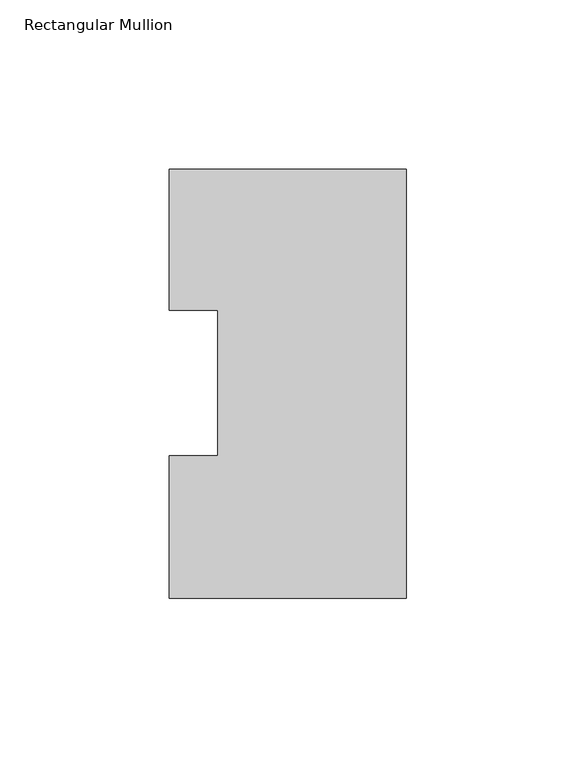
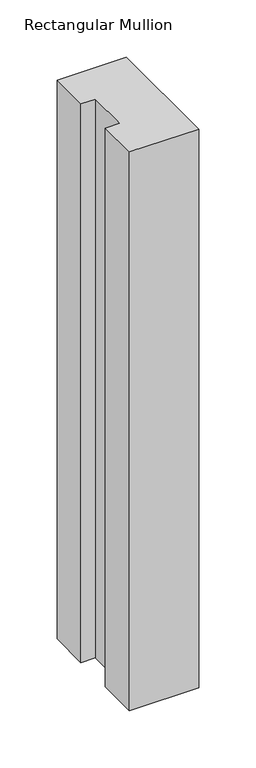
"""IFC4 building model written with IfcOpenShell, lengths in millimetres: member geometry, Rectangular Mullion."""

from ifc_helpers import new_model, si_unit, frame, origin, place, context, project, spatial, polyline, outline, extrude, source, transform, mapped, element, save


def rectangular_mullion_1f9197e7(model_context):
    return source(origin(), model_context, "Body", "SweptSolid", [
        extrude(outline(polyline([(-69.85, 0.04445), (-69.85, 42.08145), (-55.5625, 42.08145), (-55.5625, 84.93125), (-69.85, 84.93125), (-69.85, 126.53645), (0.0, 126.53645), (0.0, 0.04445), (-69.85, 0.04445)])), frame((0.0, 0.0, -596.6903637), z_axis=(0.0, 0.0, 1.0), x_axis=(1.0, 0.0, 0.0)), (0.0, 0.0, 1.0), 596.6903637),
    ])


if __name__ == "__main__":
    model = new_model("IFC4")
    model_context = context("Model", 3, world=origin())
    ifc_project = project(units=[si_unit("LENGTHUNIT", "METRE", prefix="MILLI")], contexts=[model_context])
    site = spatial("IfcSite", under=ifc_project)
    building = spatial("IfcBuilding", under=site)
    placement = place(None, origin())
    rectangular_mullion_shape = rectangular_mullion_1f9197e7(model_context)
    element("IfcMember", 1, ObjectType="Rectangular Mullion", at=placement, inside=building, context=model_context, shape_type="MappedRepresentation", body=[
        mapped(rectangular_mullion_shape, transform((0.0, 0.0, 0.0), x_axis=(1.0, 0.0, 0.0), y_axis=(0.0, 1.0, 0.0), z_axis=(0.0, 0.0, 1.0))),
    ])
    save(model, "model.ifc")
